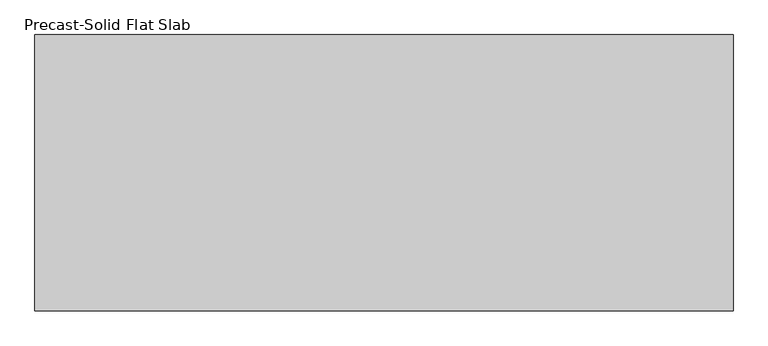
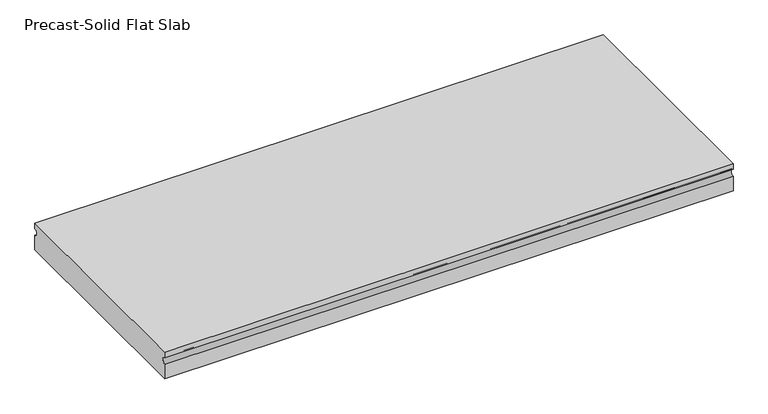
"""IFC4 building model written with IfcOpenShell, lengths in millimetres: beam geometry, Precast-Solid Flat Slab."""

from ifc_helpers import new_model, si_unit, point, frame, frame_2d, origin, place, context, project, spatial, polyline, circle_curve, trimmed, segment, composite_curve, outline, extrude, source, transform, mapped, element, save


def precast_solid_flat_slab_bae94c9a(model_context):
    return source(origin(), model_context, "Body", "SweptSolid", [
        extrude(outline(composite_curve([segment(polyline([(-304.8, 38.1), (304.8, 38.1), (304.8, 22.225)]), True, "CONTINUOUS"), segment(trimmed(circle_curve(frame_2d((304.8, 12.7)), 9.525), [point((304.8, 22.225))], [point((304.8, 3.175))], True, "CARTESIAN"), True, "CONTINUOUS"), segment(polyline([(304.8, 3.175), (304.8, -38.1), (-304.8, -38.1), (-304.8, 3.175)]), True, "CONTINUOUS"), segment(trimmed(circle_curve(frame_2d((-304.8, 12.7)), 9.525), [point((-304.8, 3.175))], [point((-304.8, 22.225))], True, "CARTESIAN"), True, "CONTINUOUS"), segment(polyline([(-304.8, 22.225), (-304.8, 38.1)]), True, "CONTINUOUS")], self_intersect=False)), frame((-762.1488281, 0.0, 0.0), z_axis=(1.0, 0.0, 0.0), x_axis=(0.0, 1.0, 0.0)), (0.0, 0.0, 1.0), 1540.3540281),
    ])


if __name__ == "__main__":
    model = new_model("IFC4")
    model_context = context("Model", 3, world=origin())
    ifc_project = project(units=[si_unit("LENGTHUNIT", "METRE", prefix="MILLI")], contexts=[model_context])
    site = spatial("IfcSite", under=ifc_project)
    building = spatial("IfcBuilding", under=site)
    placement = place(None, origin())
    precast_solid_flat_slab_shape = precast_solid_flat_slab_bae94c9a(model_context)
    element("IfcBeam", 1, ObjectType="Precast-Solid Flat Slab", at=placement, inside=building, context=model_context, shape_type="MappedRepresentation", body=[
        mapped(precast_solid_flat_slab_shape, transform((0.0, 0.0, 0.0), x_axis=(1.0, 0.0, 0.0), y_axis=(0.0, 1.0, 0.0), z_axis=(0.0, 0.0, 1.0))),
    ])
    save(model, "model.ifc")
